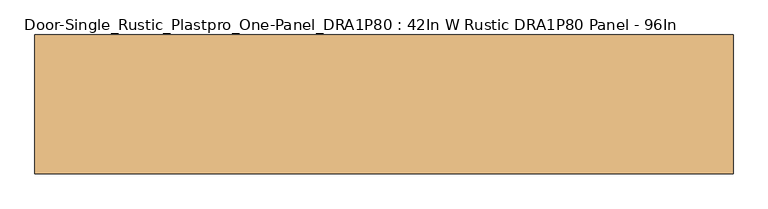
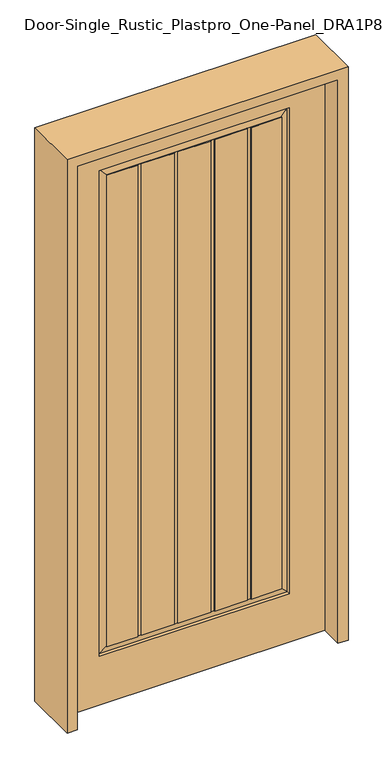
"""IFC4 building model written with IfcOpenShell, lengths in millimetres: door geometry, Door-Single_Rustic_Plastpro_One-Panel_DRA1P80 : 42In W Rustic DRA1P80 Panel - 96In."""

from ifc_helpers import new_model, si_unit, frame, origin, place, context, project, spatial, polyline, outline, extrude, faceted_brep, source, transform, mapped, element, save


def door_single_rustic_plastpro_one_panel_dra1p80_42in_w_rustic_30b430fc(model_context):
    return source(origin(), model_context, "Body", "SolidModel", [
        faceted_brep([(533.4, 20.6375, 0.0), (-533.4, 20.6375, 0.0), (-533.4, 20.6375, 2438.4), (533.4, 20.6375, 2438.4), (216.6412675, 20.6375, 209.55), (231.920955, 20.6375, 209.55), (388.9375, 20.6375, 209.55), (388.9375, 20.6375, 2311.4), (-388.9375, 20.6375, 2311.4), (-388.9375, 20.6375, 209.55), (-233.1036425, 20.6375, 209.55), (-217.823955, 20.6375, 209.55), (-83.1886725, 20.6375, 209.55), (-67.908985, 20.6375, 209.55), (66.7262975, 20.6375, 209.55), (82.005985, 20.6375, 209.55), (231.920955, 20.6375, 2273.3), (216.6412675, 20.6375, 2273.3), (216.6412675, 20.6375, 240.75717), (82.005985, 20.6375, 240.75717), (82.005985, 20.6375, 2273.3), (66.7262975, 20.6375, 2273.3), (66.7262975, 20.6375, 240.75717), (-67.908985, 20.6375, 240.75717), (-67.908985, 20.6375, 2273.3), (-83.1886725, 20.6375, 2273.3), (-83.1886725, 20.6375, 240.75717), (-217.823955, 20.6375, 240.75717), (-217.823955, 20.6375, 2273.3), (-233.1036425, 20.6375, 2273.3), (-233.1036425, 20.6375, 240.75717), (-357.73033, 20.6375, 240.75717), (-357.73033, 20.6375, 2280.19283), (357.73033, 20.6375, 2280.19283), (357.73033, 20.6375, 240.75717), (231.920955, 20.6375, 240.75717), (533.4, -20.6375, 0.0), (-533.4, -20.6375, 0.0), (-533.4, -20.6375, 2438.4), (533.4, -20.6375, 2438.4), (216.6412675, 17.4625, 209.55), (231.920955, 17.4625, 209.55), (-83.1886725, 17.4625, 209.55), (-67.908985, 17.4625, 209.55), (66.7262975, 17.4625, 209.55), (82.005985, 17.4625, 209.55), (231.920955, 17.4625, 210.9636011), (231.920955, 17.4625, 2273.3), (231.920955, 17.4625, 240.75717), (-83.1886725, 17.4625, 210.9636011), (-83.1886725, 17.4625, 2273.3), (-83.1886725, 17.4625, 240.75717), (216.6412675, 17.4625, 210.9636011), (216.6412675, 17.4625, 2273.3), (216.6412675, 17.4625, 240.75717), (82.005985, 17.4625, 210.9636011), (82.005985, 17.4625, 2273.3), (82.005985, 17.4625, 240.75717), (66.7262975, 17.4625, 210.9636011), (66.7262975, 17.4625, 2273.3), (66.7262975, 17.4625, 240.75717), (-67.908985, 17.4625, 210.9636011), (-67.908985, 17.4625, 2273.3), (-67.908985, 17.4625, 240.75717), (388.9375, -20.6375, 209.55), (-388.9375, -20.6375, 209.55), (-388.9375, -20.6375, 2311.4), (388.9375, -20.6375, 2311.4), (-67.1205267, -20.6375, 2280.19283), (-67.1205267, -20.6375, 240.75717), (67.1205267, -20.6375, 240.75717), (67.1205267, -20.6375, 2280.19283), (-82.4002142, -20.6375, 240.75717), (-82.4002142, -20.6375, 2280.19283), (-216.6412675, -20.6375, 2280.19283), (-216.6412675, -20.6375, 240.75717), (82.4002142, -20.6375, 2280.19283), (82.4002142, -20.6375, 240.75717), (216.6412675, -20.6375, 240.75717), (216.6412675, -20.6375, 2280.19283), (231.920955, -20.6375, 2280.19283), (231.920955, -20.6375, 240.75717), (357.73033, -20.6375, 240.75717), (357.73033, -20.6375, 2280.19283), (-231.920955, -20.6375, 240.75717), (-231.920955, -20.6375, 2280.19283), (-357.73033, -20.6375, 2280.19283), (-357.73033, -20.6375, 240.75717), (-67.1205267, -17.4625, 2280.19283), (-67.1205267, -17.4625, 240.75717), (67.1205267, -17.4625, 240.75717), (67.1205267, -17.4625, 2280.19283), (82.4002142, -17.4625, 2280.19283), (82.4002142, -17.4625, 240.75717), (-82.4002142, -17.4625, 240.75717), (-82.4002142, -17.4625, 2280.19283), (231.920955, -17.4625, 2280.19283), (231.920955, -17.4625, 240.75717), (-384.718693, 11.1619043, 213.768807), (384.718693, 11.1619043, 213.768807), (-217.823955, 17.4625, 210.9636011), (-233.1036425, 17.4625, 210.9636011), (384.718693, 11.1619043, 2307.181193), (-384.718693, 11.1619043, 2307.181193), (-233.1036425, 17.4625, 209.55), (-217.823955, 17.4625, 209.55), (357.73033, 16.4079106, 240.75717), (-357.73033, 16.4079106, 240.75717), (-233.1036425, 17.4625, 240.75717), (-217.823955, 17.4625, 240.75717), (-217.823955, 17.4625, 2273.3), (-233.1036425, 17.4625, 2273.3), (-357.73033, 16.4079106, 2280.19283), (357.73033, 16.4079106, 2280.19283), (-357.73033, -16.4079106, 240.75717), (357.73033, -16.4079106, 240.75717), (216.6412675, -17.4625, 240.75717), (-216.6412675, -17.4625, 240.75717), (-231.920955, -17.4625, 240.75717), (-216.6412675, -17.4625, 2280.19283), (216.6412675, -17.4625, 2280.19283), (384.718693, -11.1619043, 213.768807), (-384.718693, -11.1619043, 213.768807), (-384.718693, -11.1619043, 2307.181193), (384.718693, -11.1619043, 2307.181193), (357.73033, -16.4079106, 2280.19283), (-231.920955, -17.4625, 2280.19283), (-357.73033, -16.4079106, 2280.19283)], [[[0, 1, 2, 3], [4, 5, 6, 7, 8, 9, 10, 11, 12, 13, 14, 15]], [[16, 17, 18, 19, 20, 21, 22, 23, 24, 25, 26, 27, 28, 29, 30, 31, 32, 33, 34, 35]], [[1, 0, 36, 37]], [[2, 1, 37, 38]], [[0, 3, 39, 36]], [[5, 4, 40, 41]], [[13, 12, 42, 43]], [[15, 14, 44, 45]], [[5, 41, 46]], [[47, 16, 35, 48]], [[42, 12, 49]], [[25, 50, 51, 26]], [[40, 4, 52]], [[17, 53, 54, 18]], [[15, 45, 55]], [[56, 20, 19, 57]], [[44, 14, 58]], [[21, 59, 60, 22]], [[13, 43, 61]], [[62, 24, 23, 63]], [[37, 36, 39, 38], [64, 65, 66, 67]], [[68, 69, 70, 71]], [[72, 73, 74, 75]], [[76, 77, 78, 79]], [[80, 81, 82, 83]], [[84, 85, 86, 87]], [[69, 68, 88, 89]], [[71, 70, 90, 91]], [[77, 76, 92, 93]], [[73, 72, 94, 95]], [[81, 80, 96, 97]], [[89, 88, 95, 94]], [[93, 92, 91, 90]], [[43, 42, 49, 61]], [[50, 62, 63, 51]], [[45, 44, 58, 55]], [[59, 56, 57, 60]], [[41, 40, 52, 46]], [[53, 47, 48, 54]], [[3, 2, 38, 39]], [[17, 16, 47, 53]], [[25, 24, 62, 50]], [[21, 20, 56, 59]], [[98, 99, 6, 5, 46, 52, 4, 15, 55, 58, 14, 13, 61, 49, 12, 11, 100, 101, 10, 9]], [[6, 99, 102, 7]], [[98, 9, 8, 103]], [[11, 10, 104, 105]], [[106, 107, 31, 30, 108, 109, 27, 26, 51, 63, 23, 22, 60, 57, 19, 18, 54, 48, 35, 34]], [[11, 105, 100]], [[110, 28, 27, 109]], [[104, 10, 101]], [[29, 111, 108, 30]], [[31, 107, 112, 32]], [[106, 34, 33, 113]], [[114, 115, 82, 81, 97, 116, 78, 77, 93, 90, 70, 69, 89, 94, 72, 75, 117, 118, 84, 87]], [[75, 74, 119, 117]], [[79, 78, 116, 120]], [[121, 122, 65, 64]], [[65, 122, 123, 66]], [[121, 64, 67, 124]], [[82, 115, 125, 83]], [[85, 84, 118, 126]], [[114, 87, 86, 127]], [[115, 114, 122, 121]], [[97, 96, 120, 116]], [[117, 119, 126, 118]], [[122, 114, 127, 123]], [[115, 121, 124, 125]], [[99, 98, 107, 106]], [[105, 104, 101, 100]], [[111, 110, 109, 108]], [[107, 98, 103, 112]], [[99, 106, 113, 102]], [[7, 102, 103, 8]], [[124, 67, 66, 123]], [[125, 124, 123, 127]], [[102, 113, 112, 103]], [[83, 125, 127, 86, 85, 126, 119, 74, 73, 95, 88, 68, 71, 91, 92, 76, 79, 120, 96, 80]], [[113, 33, 32, 112]], [[29, 28, 110, 111]]]),
        extrude(outline(polyline([(2479.675, -574.675), (0.0, -574.675), (0.0, -533.4), (2438.4, -533.4), (2438.4, 533.4), (0.0, 533.4), (0.0, 574.675), (2479.675, 574.675), (2479.675, -574.675)])), frame((0.0, -114.3, 0.0), z_axis=(0.0, 1.0, 0.0), x_axis=(0.0, 0.0, 1.0)), (0.0, 0.0, 1.0), 228.6),
    ])


if __name__ == "__main__":
    model = new_model("IFC4")
    model_context = context("Model", 3, world=origin())
    ifc_project = project(units=[si_unit("LENGTHUNIT", "METRE", prefix="MILLI")], contexts=[model_context])
    site = spatial("IfcSite", under=ifc_project)
    building = spatial("IfcBuilding", under=site)
    placement = place(None, origin())
    door_single_rustic_plastpro_one_panel_dra1p80_42in_w_rustic_shape = door_single_rustic_plastpro_one_panel_dra1p80_42in_w_rustic_30b430fc(model_context)
    element("IfcDoor", 1, ObjectType="Door-Single_Rustic_Plastpro_One-Panel_DRA1P80 : 42In W Rustic DRA1P80 Panel - 96In", at=placement, inside=building, context=model_context, shape_type="MappedRepresentation", body=[
        mapped(door_single_rustic_plastpro_one_panel_dra1p80_42in_w_rustic_shape, transform((0.0, 0.0, 0.0), x_axis=(1.0, 0.0, 0.0), y_axis=(0.0, 1.0, 0.0), z_axis=(0.0, 0.0, 1.0))),
    ])
    save(model, "model.ifc")
